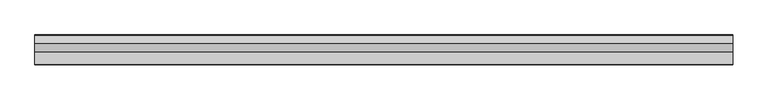
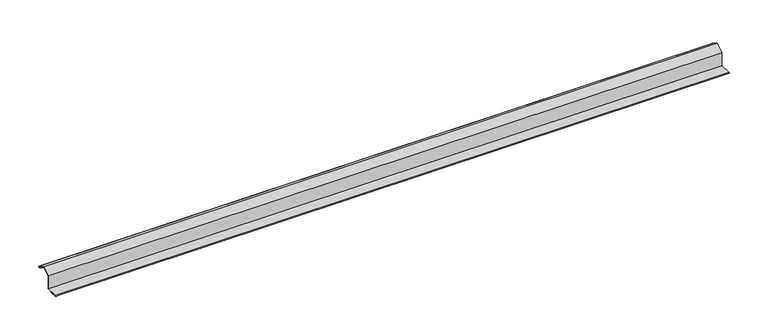
"""IFC4 building model written with IfcOpenShell, lengths in millimetres: proxy geometry."""

from ifc_helpers import new_model, si_unit, point, frame, frame_2d, origin, place, context, project, spatial, polyline, circle_curve, trimmed, segment, composite_curve, outline, extrude, source, transform, mapped, element, save


def generic_models_8d1d55b5(model_context):
    return source(origin(), model_context, "Body", "SweptSolid", [
        extrude(outline(composite_curve([segment(trimmed(circle_curve(frame_2d((-41.911208, -0.125)), 0.825), [point((-41.911208, -0.95))], [point((-41.911208, 0.7))], False, "CARTESIAN"), True, "CONTINUOUS"), segment(polyline([(-41.911208, 0.7), (-24.411208, 0.7), (-24.411208, 20.4886751), (-11.9208269, 27.7), (-0.4124967, 21.0556624)]), True, "CONTINUOUS"), segment(trimmed(circle_curve(frame_2d((-0.8249933, 20.3411972)), 0.8249933), [point((-0.4124967, 21.0556624))], [point((-1.23749, 19.626732))], False, "CARTESIAN"), True, "CONTINUOUS"), segment(polyline([(-1.23749, 19.626732), (-9.8977441, 24.626732), (-9.4977441, 25.3195524), (-0.8394884, 20.3207061), (-11.9221637, 26.8909378), (-23.711208, 20.0845299), (-23.711208, 0.0), (-41.911208, 0.0), (-31.911208, -0.15), (-31.911208, -0.95), (-41.911208, -0.95)]), True, "CONTINUOUS")], self_intersect=False)), frame((0.0, 0.0, 0.0), z_axis=(1.0, 0.0, 0.0), x_axis=(0.0, 1.0, 0.0)), (0.0, 0.0, 1.0), 1000.0),
    ])


if __name__ == "__main__":
    model = new_model("IFC4")
    model_context = context("Model", 3, world=origin())
    ifc_project = project(units=[si_unit("LENGTHUNIT", "METRE", prefix="MILLI")], contexts=[model_context])
    site = spatial("IfcSite", under=ifc_project)
    building = spatial("IfcBuilding", under=site)
    placement = place(None, origin())
    generic_models_shape = generic_models_8d1d55b5(model_context)
    element("IfcBuildingElementProxy", 1, Name="Generic Models", at=placement, inside=building, context=model_context, shape_type="MappedRepresentation", body=[
        mapped(generic_models_shape, transform((0.0, 0.0, 0.0), x_axis=(1.0, 0.0, 0.0), y_axis=(0.0, 1.0, 0.0), z_axis=(0.0, 0.0, 1.0))),
    ])
    save(model, "model.ifc")
